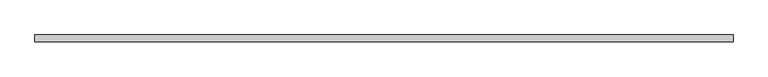
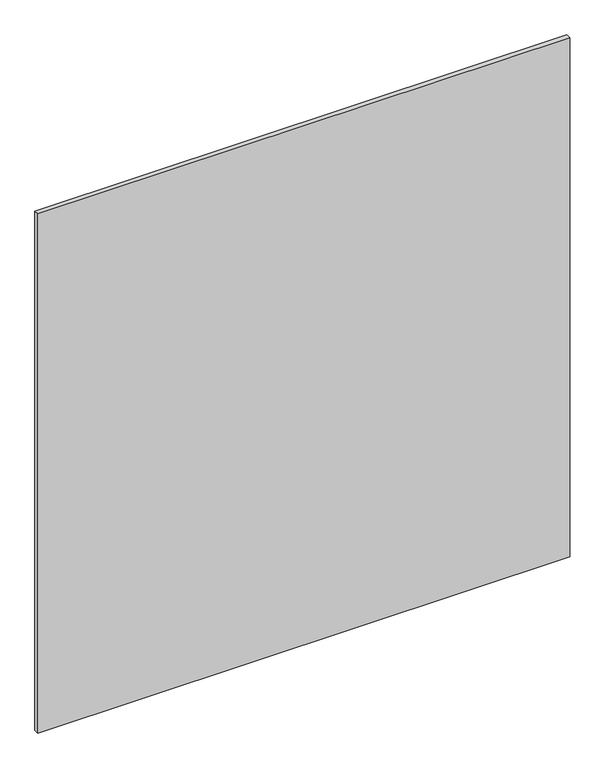
"""IFC4 building model written with IfcOpenShell, lengths in millimetres: plate geometry."""

from ifc_helpers import new_model, si_unit, origin, origin_with_axes, place, context, project, spatial, polyline, outline, extrude, source, transform, mapped, element, save


def plate_488d129b(model_context):
    return source(origin(), model_context, "Body", "SweptSolid", [
        extrude(outline(polyline([(632.5, 6.0), (632.5, -6.0), (-632.5, -6.0), (-632.5, 6.0), (632.5, 6.0)])), origin_with_axes(), (0.0, 0.0, 1.0), 1305.0),
    ])


if __name__ == "__main__":
    model = new_model("IFC4")
    model_context = context("Model", 3, world=origin())
    ifc_project = project(units=[si_unit("LENGTHUNIT", "METRE", prefix="MILLI")], contexts=[model_context])
    site = spatial("IfcSite", under=ifc_project)
    building = spatial("IfcBuilding", under=site)
    placement = place(None, origin())
    plate_shape = plate_488d129b(model_context)
    element("IfcPlate", 1, at=placement, inside=building, context=model_context, shape_type="MappedRepresentation", body=[
        mapped(plate_shape, transform((0.0, 0.0, 0.0), x_axis=(1.0, 0.0, 0.0), y_axis=(0.0, 1.0, 0.0), z_axis=(0.0, 0.0, 1.0))),
    ])
    save(model, "model.ifc")
